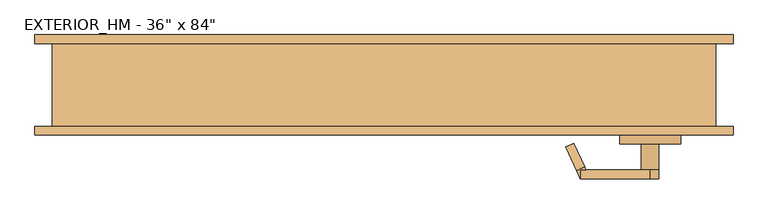
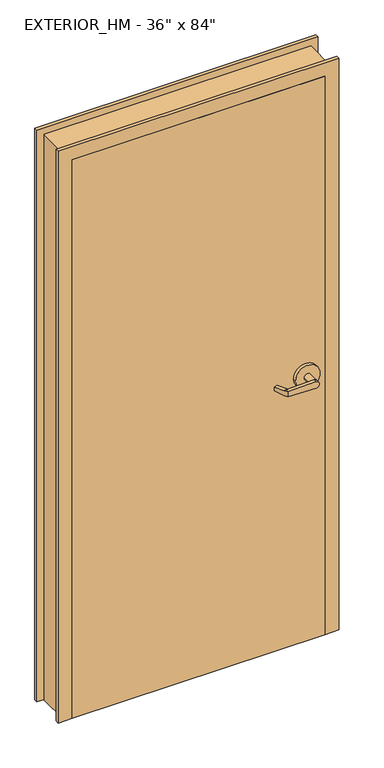
"""IFC4 building model written with IfcOpenShell, lengths in millimetres: door geometry."""

import ifcopenshell
import ifcopenshell.guid

model = None  # the IFC model being written
_history = None  # IfcOwnerHistory: only IFC2X3 demands one
_inside = {}  # id of a spatial element -> (the spatial element, [elements in it])
_under = {}  # id of a project, library or spatial element -> (it, [spatial elements below it])
_declared = {}  # id of a project -> (the project, [libraries it declares])
_typed = {}  # id of a type object -> (the type object, [elements of that type])
_made_of = {}  # id of a material, layer set ... -> (it, [elements and type objects made of it])


def new_model(schema):
    """Start an empty IFC model of exactly this schema.

    Asked for "IFC4X3", IfcOpenShell would pick the latest addendum, in which some entities
    have other attributes; the version numbers below select the first issue.
    IFC2X3 requires an IfcOwnerHistory on every rooted entity: one is made here for all.
    """
    global model, _history
    if schema == "IFC4X3":
        model = ifcopenshell.file(schema_version=(4, 3, 0, 0))
    else:
        model = ifcopenshell.file(schema=schema)
    _inside.clear()
    _under.clear()
    _declared.clear()
    _typed.clear()
    _made_of.clear()
    _history = None
    if model.schema == "IFC2X3":
        org = make("IfcOrganization", Name="unknown")
        user = make(
            "IfcPersonAndOrganization",
            ThePerson=make("IfcPerson", FamilyName="unknown"),
            TheOrganization=org,
        )
        app = make(
            "IfcApplication",
            ApplicationDeveloper=org,
            Version="unknown",
            ApplicationFullName="unknown",
            ApplicationIdentifier="unknown",
        )
        _history = make(
            "IfcOwnerHistory",
            OwningUser=user,
            OwningApplication=app,
            ChangeAction="ADDED",
            CreationDate=0,
        )
    return model


def make(cls, **values):
    """One entity of the class cls with the attributes given. An attribute that is None is left unset."""
    return model.create_entity(
        cls, **{name: value for name, value in values.items() if value is not None}
    )


def rooted(cls, **values):
    """An entity with a GlobalId (a new one), such as an element, a storey or a relation."""
    return make(cls, GlobalId=ifcopenshell.guid.new(), OwnerHistory=_history, **values)


def si_unit(unit_type, name, prefix=None):
    """IfcSIUnit, for example si_unit("LENGTHUNIT", "METRE", prefix="MILLI")."""
    return make("IfcSIUnit", UnitType=unit_type, Prefix=prefix, Name=name)


def assignment(units):
    """IfcUnitAssignment: the units of a project."""
    return None if units is None else make("IfcUnitAssignment", Units=units)


def point(xyz):
    """IfcCartesianPoint."""
    return None if xyz is None else make("IfcCartesianPoint", Coordinates=xyz)


def direction(xyz):
    """IfcDirection."""
    return None if xyz is None else make("IfcDirection", DirectionRatios=xyz)


def frame(location, z_axis=None, x_axis=None):
    """IfcAxis2Placement3D, a coordinate frame: its origin and axes. An axis left out is left unset."""
    return make(
        "IfcAxis2Placement3D",
        Location=point(location),
        Axis=direction(z_axis),
        RefDirection=direction(x_axis),
    )


def origin():
    """The frame at (0, 0, 0) with its axes left unset."""
    return frame((0.0, 0.0, 0.0))


def origin_with_axes():
    """The frame at (0, 0, 0) with the z axis (0, 0, 1) and the x axis (1, 0, 0) written out."""
    return frame((0.0, 0.0, 0.0), z_axis=(0.0, 0.0, 1.0), x_axis=(1.0, 0.0, 0.0))


def place(relative_to, where):
    """IfcLocalPlacement: puts the frame where relative to a parent placement (None: the world)."""
    return make(
        "IfcLocalPlacement", PlacementRelTo=relative_to, RelativePlacement=where
    )


def context(
    kind, dimensions, precision=None, world=None, true_north=None, identifier=None
):
    """IfcGeometricRepresentationContext, for example the 3D "Model" context."""
    return make(
        "IfcGeometricRepresentationContext",
        ContextIdentifier=identifier,
        ContextType=kind,
        CoordinateSpaceDimension=dimensions,
        Precision=precision,
        WorldCoordinateSystem=world,
        TrueNorth=true_north,
    )


def project(units=None, contexts=None):
    """IfcProject with its units and contexts."""
    return rooted(
        "IfcProject",
        Name="project",
        RepresentationContexts=contexts,
        UnitsInContext=assignment(units),
    )


def spatial(cls, under=None, at=None, **own):
    """A site, building, storey or space (cls), placed at a placement, below another one or the project."""
    s = rooted(cls, ObjectPlacement=at, **own)
    if under is not None:
        _under.setdefault(under.id(), (under, []))[1].append(s)
    return s


def polyline(points):
    """IfcPolyline through the points."""
    return make("IfcPolyline", Points=[point(p) for p in points])


def circle_curve(where, radius):
    """IfcCircle in the frame where."""
    return make("IfcCircle", Position=where, Radius=radius)


def outline(outer, holes=None, kind="AREA"):
    """IfcArbitraryClosedProfileDef: a profile drawn as a closed curve; with holes, ...WithVoids."""
    if holes is None:
        return make("IfcArbitraryClosedProfileDef", ProfileType=kind, OuterCurve=outer)
    return make(
        "IfcArbitraryProfileDefWithVoids",
        ProfileType=kind,
        OuterCurve=outer,
        InnerCurves=holes,
    )


def extrude(swept, where, along, depth):
    """IfcExtrudedAreaSolid: the profile swept, set in the frame where, extruded along a direction by depth."""
    return make(
        "IfcExtrudedAreaSolid",
        SweptArea=swept,
        Position=where,
        ExtrudedDirection=direction(along),
        Depth=depth,
    )


def faces_of(points, faces, orient=None, outer=None):
    """IfcFace entities. A face is a list of loops; a loop is a list of indices into points, from 0.

    orient and outer hold one flag for each loop. By default every Orientation is true, the
    first loop of a face is its IfcFaceOuterBound and the others are IfcFaceBound.
    """
    made = []
    for i, loops in enumerate(faces):
        bounds = []
        for j, loop in enumerate(loops):
            is_outer = j == 0 if outer is None else outer[i][j]
            bounds.append(
                make(
                    "IfcFaceOuterBound" if is_outer else "IfcFaceBound",
                    Bound=make("IfcPolyLoop", Polygon=[points[k] for k in loop]),
                    Orientation=True if orient is None else orient[i][j],
                )
            )
        made.append(make("IfcFace", Bounds=bounds))
    return made


def faceted_brep(points, faces, orient=None, outer=None, voids=None):
    """IfcFacetedBrep: a solid bounded by flat faces; with voids (closed shells), ...WithVoids."""
    shared = [point(p) for p in points]
    hull = make("IfcClosedShell", CfsFaces=faces_of(shared, faces, orient, outer))
    if voids is None:
        return make("IfcFacetedBrep", Outer=hull)
    return make(
        "IfcFacetedBrepWithVoids",
        Outer=hull,
        Voids=[
            make(cls, CfsFaces=faces_of(shared, fs, o, b)) for cls, fs, o, b in voids
        ],
    )


def shape(context_of_items, identifier, shape_type, items):
    """IfcShapeRepresentation: the items that make up one representation, for example the "Body"."""
    return make(
        "IfcShapeRepresentation",
        ContextOfItems=context_of_items,
        RepresentationIdentifier=identifier,
        RepresentationType=shape_type,
        Items=items,
    )


def source(mapping_origin, context_of_items, identifier, shape_type, items):
    """IfcRepresentationMap: a shape defined once, which mapped items show again and again."""
    return make(
        "IfcRepresentationMap",
        MappingOrigin=mapping_origin,
        MappedRepresentation=shape(context_of_items, identifier, shape_type, items),
    )


def transform(
    local_origin,
    x_axis=None,
    y_axis=None,
    z_axis=None,
    scale=None,
    scale2=None,
    scale3=None,
    uniform=True,
):
    """IfcCartesianTransformationOperator3D, or its non-uniform kind. x_axis, y_axis, z_axis: its Axis1, 2, 3."""
    if uniform:
        return make(
            "IfcCartesianTransformationOperator3D",
            Axis1=direction(x_axis),
            Axis2=direction(y_axis),
            LocalOrigin=point(local_origin),
            Scale=scale,
            Axis3=direction(z_axis),
        )
    return make(
        "IfcCartesianTransformationOperator3DnonUniform",
        Axis1=direction(x_axis),
        Axis2=direction(y_axis),
        LocalOrigin=point(local_origin),
        Scale=scale,
        Axis3=direction(z_axis),
        Scale2=scale2,
        Scale3=scale3,
    )


def mapped(mapping_source, mapping_target):
    """IfcMappedItem: shows the shape of a source again, moved by a transform."""
    return make(
        "IfcMappedItem", MappingSource=mapping_source, MappingTarget=mapping_target
    )


def made_of(thing, what):
    """Note that an element or type object is made of a material, layer set ...; save() writes the relation."""
    if what is not None:
        _made_of.setdefault(what.id(), (what, []))[1].append(thing)
    return thing


def element(
    cls,
    number,
    at=None,
    inside=None,
    cuts=None,
    type_object=None,
    material=None,
    context=None,
    identifier="Body",
    shape_type=None,
    held_by="IfcProductDefinitionShape",
    body=None,
    shapes=None,
    **own,
):
    """One element of the class cls, such as IfcWall. Its Tag is "e" and its number.

    at: its placement. inside: the storey or other place that contains it. cuts: it is an
    opening in that element (IfcRelVoidsElement). A single representation is given by context,
    identifier, shape_type and body (its items); several are given by shapes. held_by: the class
    of the entity that holds the representations. save() writes the other relations.
    """
    e = rooted(cls, Tag="e%d" % number, ObjectPlacement=at, **own)
    if body is not None:
        shapes = [shape(context, identifier, shape_type, body)]
    if shapes is not None:
        e.Representation = make(held_by, Representations=shapes)
    if inside is not None:
        _inside.setdefault(inside.id(), (inside, []))[1].append(e)
    if cuts is not None:
        rooted(
            "IfcRelVoidsElement", RelatingBuildingElement=cuts, RelatedOpeningElement=e
        )
    if type_object is not None:
        _typed.setdefault(type_object.id(), (type_object, []))[1].append(e)
    return made_of(e, material)


def aggregate(whole, parts):
    """IfcRelAggregates: a whole, such as a stair, and the parts it consists of."""
    return rooted("IfcRelAggregates", RelatingObject=whole, RelatedObjects=parts)


def save(model, path):
    """Write the relations noted so far, then the file.

    IfcRelAggregates (storeys below a building ...), IfcRelContainedInSpatialStructure (elements
    in a storey), IfcRelDefinesByType, IfcRelAssociatesMaterial and IfcRelDeclares: one each for
    every whole, place, type object, material and project.
    """
    for whole, parts in _under.values():
        aggregate(whole, parts)
    for where, things in _inside.values():
        rooted(
            "IfcRelContainedInSpatialStructure",
            RelatedElements=things,
            RelatingStructure=where,
        )
    for kind, things in _typed.values():
        rooted("IfcRelDefinesByType", RelatedObjects=things, RelatingType=kind)
    for what, things in _made_of.values():
        rooted("IfcRelAssociatesMaterial", RelatedObjects=things, RelatingMaterial=what)
    for by, libraries in _declared.values():
        rooted("IfcRelDeclares", RelatingContext=by, RelatedDefinitions=libraries)
    model.write(path)


def plane_surface(at):
    """IfcPlane: the flat surface through the origin of the frame at, square to its z axis."""
    return make("IfcPlane", Position=at)


def cylinder_surface(at, radius):
    """IfcCylindricalSurface: all points at the distance radius from the z axis of the frame at."""
    return make("IfcCylindricalSurface", Position=at, Radius=radius)


def advanced_brep(points, edges, surfaces, faces):
    """IfcAdvancedBrep: a solid bounded by faces that lie on surfaces and meet in shared edges.

    An edge is (start, end): straight between two places in points (the first is 0);
    or (start, end, curve); or (start, end, curve, False) where it runs against its curve.
    A face is (place in surfaces, loops), or (place, loops, False) where it looks against
    its surface's normal. A loop lists edges by number (the first is 1), with a minus sign
    where the edge is run from its end to its start. The first loop is the outer one.
    """
    corners = [point(p) for p in points]
    vertices = [make("IfcVertexPoint", VertexGeometry=c) for c in corners]
    made = []
    for start, end, *more in edges:
        made.append(
            make(
                "IfcEdgeCurve",
                EdgeStart=vertices[start],
                EdgeEnd=vertices[end],
                EdgeGeometry=more[0] if more else make("IfcPolyline", Points=[corners[start], corners[end]]),
                SameSense=more[1] if len(more) > 1 else True,
            )
        )
    hull = []
    for where, loops, *sense in faces:
        bounds = []
        for j, loop in enumerate(loops):
            ring = [make("IfcOrientedEdge", EdgeElement=made[abs(k) - 1], Orientation=k > 0) for k in loop]
            bounds.append(
                make(
                    "IfcFaceOuterBound" if j == 0 else "IfcFaceBound",
                    Bound=make("IfcEdgeLoop", EdgeList=ring),
                    Orientation=True,
                )
            )
        hull.append(make("IfcAdvancedFace", Bounds=bounds, FaceSurface=surfaces[where], SameSense=sense[0] if sense else True))
    return make("IfcAdvancedBrep", Outer=make("IfcClosedShell", CfsFaces=hull))


def door_1cd35453(model_context):
    return source(origin(), model_context, "Body", "SolidModel", [
        advanced_brep(
        [(291.892857, 18.0476392, 1006.475), (293.8407923, 22.225, 1006.475), (293.8407923, 22.225, 1025.525), (291.892857, 18.0476392, 1025.525), (275.7911012, -16.4826875, 1022.35), (275.7911012, -16.4826875, 1009.65), (285.75, 34.925, 1025.525), (285.75, 34.925, 1006.475), (280.3827481, 23.4148911, 1006.475), (264.2809923, -11.1154356, 1009.65), (264.2809923, -11.1154356, 1022.35), (280.3827481, 23.4148911, 1025.525), (285.75, 22.225, 1006.475), (285.75, 22.225, 1025.525), (386.9525418, 34.925, 1028.6937791), (386.9525418, 34.925, 1003.3062209), (386.9525418, 22.225, 1003.3062209), (374.65, 22.225, 1016.0), (386.9525418, 22.225, 1028.6937791), (400.05, 22.225, 1016.0), (374.65, -15.875, 1016.0), (400.05, -15.875, 1016.0), (431.8, -15.875, 1016.0), (342.9, -15.875, 1016.0), (431.8, -28.575, 1016.0), (342.9, -28.575, 1016.0)],
        [
            (0, 1),
            (1, 2),
            (2, 3),
            (3, 4),
            (4, 5),
            (5, 0),
            (6, 7),
            (7, 8),
            (8, 9),
            (9, 10),
            (10, 11),
            (11, 6),
            (7, 12),
            (12, 1),
            (0, 8),
            (5, 9),
            (4, 10),
            (3, 11),
            (2, 13),
            (13, 6),
            (6, 14),
            (14, 15, circle_curve(frame((387.35, 34.925, 1016.0), z_axis=(0.0, 1.0, 0.0), x_axis=(-1.0, 0.0, 0.0)), 12.7)),
            (15, 7),
            (12, 16),
            (16, 17, circle_curve(frame((387.35, 22.225, 1016.0), z_axis=(0.0, 1.0, 0.0), x_axis=(-1.0, 0.0, 0.0)), 12.7)),
            (17, 18, circle_curve(frame((387.35, 22.225, 1016.0), z_axis=(0.0, 1.0, 0.0), x_axis=(-1.0, 0.0, 0.0)), 12.7)),
            (18, 13),
            (15, 16),
            (14, 18),
            (18, 19, circle_curve(frame((387.35, 22.225, 1016.0), z_axis=(0.0, 1.0, 0.0), x_axis=(-1.0, 0.0, 0.0)), 12.7)),
            (19, 16, circle_curve(frame((387.35, 22.225, 1016.0), z_axis=(0.0, 1.0, 0.0), x_axis=(-1.0, 0.0, 0.0)), 12.7)),
            (17, 20),
            (20, 21, circle_curve(frame((387.35, -15.875, 1016.0), z_axis=(0.0, 1.0, 0.0), x_axis=(-1.0, 0.0, 0.0)), 12.7)),
            (21, 19),
            (21, 20, circle_curve(frame((387.35, -15.875, 1016.0), z_axis=(0.0, 1.0, 0.0), x_axis=(-1.0, 0.0, 0.0)), 12.7)),
            (22, 23, circle_curve(frame((387.35, -15.875, 1016.0), z_axis=(0.0, 1.0, 0.0), x_axis=(-1.0, 0.0, 0.0)), 44.45)),
            (23, 22, circle_curve(frame((387.35, -15.875, 1016.0), z_axis=(0.0, 1.0, 0.0), x_axis=(-1.0, 0.0, 0.0)), 44.45)),
            (24, 25, circle_curve(frame((387.35, -28.575, 1016.0), z_axis=(0.0, -1.0, 0.0), x_axis=(-1.0, 0.0, 0.0)), 44.45)),
            (25, 24, circle_curve(frame((387.35, -28.575, 1016.0), z_axis=(0.0, -1.0, 0.0), x_axis=(-1.0, 0.0, 0.0)), 44.45)),
            (23, 25),
            (24, 22),
        ],
        [
            plane_surface(frame((297.2601089, 29.5577481, 1006.475), z_axis=(0.9063077870366494, -0.4226182617407007, 0.0), x_axis=(0.0, 0.0, -1.0))),
            plane_surface(frame((285.75, 34.925, 1006.475), z_axis=(-0.9063077870366494, 0.4226182617407007, 0.0), x_axis=(0.0, 0.0, 1.0))),
            plane_surface(frame((297.2601089, 29.5577481, 1006.475), z_axis=(0.0, 0.0, -1.0000000000000002), x_axis=(-0.9063077870366494, 0.42261826174070094, 0.0))),
            plane_surface(frame((291.892857, 18.0476392, 1006.475), z_axis=(-0.035096536341209586, -0.07526476506963879, -0.9965457582448799), x_axis=(-0.9063077870366494, 0.42261826174070094, 0.0))),
            plane_surface(frame((275.7911012, -16.4826875, 1009.65), z_axis=(-0.42261826174070094, -0.9063077870366494, 0.0), x_axis=(-0.9063077870366494, 0.42261826174070094, 0.0))),
            plane_surface(frame((275.7911012, -16.4826875, 1022.35), z_axis=(-0.03509653634121044, -0.07526476506964089, 0.9965457582448796), x_axis=(-0.9063077870366495, 0.42261826174070033, 0.0))),
            plane_surface(frame((291.892857, 18.0476392, 1025.525), z_axis=(0.0, 0.0, 1.0000000000000002), x_axis=(-0.9063077870366494, 0.42261826174070094, 0.0))),
            plane_surface(frame((285.75, 34.925, 1006.475), z_axis=(0.0, 1.0, 0.0), x_axis=(0.9995101626549141, 0.0, -0.03129592225110647))),
            plane_surface(frame((285.75, 22.225, 1006.475), z_axis=(0.0, -1.0, 0.0), x_axis=(-0.9995101626549141, 0.0, 0.03129592225110647))),
            plane_surface(frame((285.75, 34.925, 1006.475), z_axis=(-0.03129592225110647, 0.0, -0.9995101626549141), x_axis=(0.0, -1.0, 0.0))),
            cylinder_surface(frame((387.35, 22.225, 1016.0), z_axis=(0.0, 1.0, 0.0), x_axis=(-1.0, 0.0, 0.0)), 12.7),
            plane_surface(frame((386.9525418, 34.925, 1028.6937791), z_axis=(-0.03129592225110282, 0.0, 0.9995101626549142), x_axis=(0.0, -1.0, 0.0))),
            cylinder_surface(frame((387.35, -15.875, 1016.0), z_axis=(0.0, 1.0, 0.0), x_axis=(-1.0, 0.0, 0.0)), 12.7),
            plane_surface(frame((342.9, -15.875, 1016.0), z_axis=(0.0, 1.0, 0.0), x_axis=(0.0, 0.0, -1.0))),
            plane_surface(frame((342.9, -28.575, 1016.0), z_axis=(0.0, -1.0, 0.0), x_axis=(0.0, 0.0, 1.0))),
            cylinder_surface(frame((387.35, -28.575, 1016.0), z_axis=(0.0, 1.0, 0.0), x_axis=(-1.0, 0.0, 0.0)), 44.45),
        ],
        [
            (0, [[1, 2, 3, 4, 5, 6]]),
            (1, [[7, 8, 9, 10, 11, 12]]),
            (2, [[13, 14, -1, 15, -8]]),
            (3, [[16, -9, -15, -6]]),
            (4, [[17, -10, -16, -5]]),
            (5, [[18, -11, -17, -4]]),
            (6, [[-18, -3, 19, 20, -12]]),
            (7, [[-7, 21, 22, 23]]),
            (8, [[-19, -2, -14, 24, 25, 26, 27]]),
            (9, [[28, -24, -13, -23]]),
            (10, [[29, 30, 31, -28, -22]]),
            (11, [[-20, -27, -29, -21]]),
            (12, [[-30, -26, 32, 33, 34]]),
            (12, [[35, -32, -25, -31, -34]]),
            (13, [[36, 37], [-35, -33]]),
            (14, [[38, 39]]),
            (15, [[40, -38, 41, -37]]),
            (15, [[-41, -39, -40, -36]]),
        ],
    ),
        advanced_brep(
        [(291.892857, -119.6476392, 1025.525), (293.8407923, -123.825, 1025.525), (293.8407923, -123.825, 1006.475), (291.892857, -119.6476392, 1006.475), (275.7911012, -85.1173125, 1009.65), (275.7911012, -85.1173125, 1022.35), (285.75, -136.525, 1006.475), (285.75, -136.525, 1025.525), (280.3827481, -125.0148911, 1025.525), (264.2809923, -90.4845644, 1022.35), (264.2809923, -90.4845644, 1009.65), (280.3827481, -125.0148911, 1006.475), (285.75, -123.825, 1025.525), (285.75, -123.825, 1006.475), (386.9525418, -136.525, 1003.3062209), (386.9525418, -136.525, 1028.6937791), (386.9525418, -123.825, 1028.6937791), (374.65, -123.825, 1016.0), (386.9525418, -123.825, 1003.3062209), (400.05, -123.825, 1016.0), (374.65, -85.725, 1016.0), (400.05, -85.725, 1016.0), (431.8, -85.725, 1016.0), (342.9, -85.725, 1016.0), (431.8, -73.025, 1016.0), (342.9, -73.025, 1016.0)],
        [
            (0, 1),
            (1, 2),
            (2, 3),
            (3, 4),
            (4, 5),
            (5, 0),
            (6, 7),
            (7, 8),
            (8, 9),
            (9, 10),
            (10, 11),
            (11, 6),
            (7, 12),
            (12, 1),
            (0, 8),
            (5, 9),
            (4, 10),
            (3, 11),
            (2, 13),
            (13, 6),
            (6, 14),
            (14, 15, circle_curve(frame((387.35, -136.525, 1016.0), z_axis=(0.0, -1.0, 0.0), x_axis=(-1.0, 0.0, 0.0)), 12.7)),
            (15, 7),
            (12, 16),
            (16, 17, circle_curve(frame((387.35, -123.825, 1016.0), z_axis=(0.0, -1.0, 0.0), x_axis=(-1.0, 0.0, 0.0)), 12.7)),
            (17, 18, circle_curve(frame((387.35, -123.825, 1016.0), z_axis=(0.0, -1.0, 0.0), x_axis=(-1.0, 0.0, 0.0)), 12.7)),
            (18, 13),
            (15, 16),
            (14, 18),
            (18, 19, circle_curve(frame((387.35, -123.825, 1016.0), z_axis=(0.0, -1.0, 0.0), x_axis=(-1.0, 0.0, 0.0)), 12.7)),
            (19, 16, circle_curve(frame((387.35, -123.825, 1016.0), z_axis=(0.0, -1.0, 0.0), x_axis=(-1.0, 0.0, 0.0)), 12.7)),
            (17, 20),
            (20, 21, circle_curve(frame((387.35, -85.725, 1016.0), z_axis=(0.0, -1.0, 0.0), x_axis=(-1.0, 0.0, 0.0)), 12.7)),
            (21, 19),
            (21, 20, circle_curve(frame((387.35, -85.725, 1016.0), z_axis=(0.0, -1.0, 0.0), x_axis=(-1.0, 0.0, 0.0)), 12.7)),
            (22, 23, circle_curve(frame((387.35, -85.725, 1016.0), z_axis=(0.0, -1.0, 0.0), x_axis=(-1.0, 0.0, 0.0)), 44.45)),
            (23, 22, circle_curve(frame((387.35, -85.725, 1016.0), z_axis=(0.0, -1.0, 0.0), x_axis=(-1.0, 0.0, 0.0)), 44.45)),
            (24, 25, circle_curve(frame((387.35, -73.025, 1016.0), z_axis=(0.0, 1.0, 0.0), x_axis=(-1.0, 0.0, 0.0)), 44.45)),
            (25, 24, circle_curve(frame((387.35, -73.025, 1016.0), z_axis=(0.0, 1.0, 0.0), x_axis=(-1.0, 0.0, 0.0)), 44.45)),
            (23, 25),
            (24, 22),
        ],
        [
            plane_surface(frame((297.2601089, -131.1577481, 1025.525), z_axis=(0.9063077870366494, 0.4226182617407007, 0.0), x_axis=(0.0, 0.0, 1.0))),
            plane_surface(frame((285.75, -136.525, 1025.525), z_axis=(-0.9063077870366494, -0.4226182617407007, 0.0), x_axis=(0.0, 0.0, -1.0))),
            plane_surface(frame((297.2601089, -131.1577481, 1025.525), z_axis=(0.0, 0.0, 1.0000000000000002), x_axis=(-0.9063077870366494, -0.42261826174070094, 0.0))),
            plane_surface(frame((291.892857, -119.6476392, 1025.525), z_axis=(-0.03509653634120952, 0.07526476506963879, 0.9965457582448799), x_axis=(-0.9063077870366494, -0.42261826174070094, 0.0))),
            plane_surface(frame((275.7911012, -85.1173125, 1022.35), z_axis=(-0.42261826174070094, 0.9063077870366494, 0.0), x_axis=(-0.9063077870366494, -0.42261826174070094, 0.0))),
            plane_surface(frame((275.7911012, -85.1173125, 1009.65), z_axis=(-0.03509653634121051, 0.07526476506964089, -0.9965457582448796), x_axis=(-0.9063077870366495, -0.42261826174070033, 0.0))),
            plane_surface(frame((291.892857, -119.6476392, 1006.475), z_axis=(0.0, 0.0, -1.0000000000000002), x_axis=(-0.9063077870366494, -0.42261826174070094, 0.0))),
            plane_surface(frame((285.75, -136.525, 1025.525), z_axis=(0.0, -1.0, 0.0), x_axis=(0.9995101626549141, 0.0, 0.0312959222511064))),
            plane_surface(frame((285.75, -123.825, 1025.525), z_axis=(0.0, 1.0, 0.0), x_axis=(-0.9995101626549141, 0.0, -0.0312959222511064))),
            plane_surface(frame((285.75, -136.525, 1025.525), z_axis=(-0.0312959222511064, 0.0, 0.9995101626549141), x_axis=(0.0, 1.0, 0.0))),
            cylinder_surface(frame((387.35, -123.825, 1016.0), z_axis=(0.0, -1.0, 0.0), x_axis=(-1.0, 0.0, 0.0)), 12.7),
            plane_surface(frame((386.9525418, -136.525, 1003.3062209), z_axis=(-0.03129592225110289, 0.0, -0.9995101626549142), x_axis=(0.0, 1.0, 0.0))),
            cylinder_surface(frame((387.35, -85.725, 1016.0), z_axis=(0.0, -1.0, 0.0), x_axis=(-1.0, 0.0, 0.0)), 12.7),
            plane_surface(frame((342.9, -85.725, 1016.0), z_axis=(0.0, -1.0, 0.0), x_axis=(0.0, 0.0, 1.0))),
            plane_surface(frame((342.9, -73.025, 1016.0), z_axis=(0.0, 1.0, 0.0), x_axis=(0.0, 0.0, -1.0))),
            cylinder_surface(frame((387.35, -73.025, 1016.0), z_axis=(0.0, -1.0, 0.0), x_axis=(-1.0, 0.0, 0.0)), 44.45),
        ],
        [
            (0, [[1, 2, 3, 4, 5, 6]]),
            (1, [[7, 8, 9, 10, 11, 12]]),
            (2, [[13, 14, -1, 15, -8]]),
            (3, [[16, -9, -15, -6]]),
            (4, [[17, -10, -16, -5]]),
            (5, [[18, -11, -17, -4]]),
            (6, [[-18, -3, 19, 20, -12]]),
            (7, [[-7, 21, 22, 23]]),
            (8, [[-19, -2, -14, 24, 25, 26, 27]]),
            (9, [[28, -24, -13, -23]]),
            (10, [[29, 30, 31, -28, -22]]),
            (11, [[-20, -27, -29, -21]]),
            (12, [[-30, -26, 32, 33, 34]]),
            (12, [[35, -32, -25, -31, -34]]),
            (13, [[36, 37], [-35, -33]]),
            (14, [[38, 39]]),
            (15, [[40, -38, 41, -37]]),
            (15, [[-41, -39, -40, -36]]),
        ],
    ),
        extrude(outline(polyline([(-457.2, -73.025), (-457.2, -28.575), (457.2, -28.575), (457.2, -73.025), (-457.2, -73.025)])), origin_with_axes(), (0.0, 0.0, 1.0), 2133.6),
        faceted_brep([(-457.2, -73.025, 0.0), (-508.0, -73.025, 0.0), (-508.0, -60.325, 0.0), (-482.6, -60.325, 0.0), (-482.6, 60.325, 0.0), (-508.0, 60.325, 0.0), (-508.0, 73.025, 0.0), (-457.2, 73.025, 0.0), (-457.2, 25.2662566, 0.0), (-441.325, 25.2662566, 0.0), (-441.325, -25.2662566, 0.0), (-457.2, -25.2662566, 0.0), (-457.2, -25.2662566, 2133.6), (-457.2, -73.025, 2133.6), (-441.325, -25.2662566, 2117.725), (441.325, -25.2662566, 2117.725), (441.325, -25.2662566, 0.0), (457.2, -25.2662566, 0.0), (457.2, -25.2662566, 2133.6), (-441.325, 25.2662566, 2117.725), (-457.2, 25.2662566, 2133.6), (457.2, 25.2662566, 2133.6), (457.2, 25.2662566, 0.0), (441.325, 25.2662566, 0.0), (441.325, 25.2662566, 2117.725), (-457.2, 73.025, 2133.6), (-508.0, 73.025, 2184.4), (508.0, 73.025, 2184.4), (508.0, 73.025, 0.0), (457.2, 73.025, 0.0), (457.2, 73.025, 2133.6), (-508.0, 60.325, 2184.4), (-482.6, 60.325, 2159.0), (482.6, 60.325, 2159.0), (482.6, 60.325, 0.0), (508.0, 60.325, 0.0), (508.0, 60.325, 2184.4), (-482.6, -60.325, 2159.0), (-508.0, -60.325, 2184.4), (508.0, -60.325, 2184.4), (508.0, -60.325, 0.0), (482.6, -60.325, 0.0), (482.6, -60.325, 2159.0), (-508.0, -73.025, 2184.4), (457.2, -73.025, 2133.6), (457.2, -73.025, 0.0), (508.0, -73.025, 0.0), (508.0, -73.025, 2184.4)], [[[0, 1, 2, 3, 4, 5, 6, 7, 8, 9, 10, 11]], [[11, 12, 13, 0]], [[10, 14, 15, 16, 17, 18, 12, 11]], [[9, 19, 14, 10]], [[8, 20, 21, 22, 23, 24, 19, 9]], [[7, 25, 20, 8]], [[6, 26, 27, 28, 29, 30, 25, 7]], [[5, 31, 26, 6]], [[4, 32, 33, 34, 35, 36, 31, 5]], [[3, 37, 32, 4]], [[2, 38, 39, 40, 41, 42, 37, 3]], [[1, 43, 38, 2]], [[0, 13, 44, 45, 46, 47, 43, 1]], [[18, 17, 45, 44]], [[45, 17, 16, 23, 22, 29, 28, 35, 34, 41, 40, 46]], [[24, 23, 16, 15]], [[30, 29, 22, 21]], [[36, 35, 28, 27]], [[42, 41, 34, 33]], [[47, 46, 40, 39]], [[12, 18, 44, 13]], [[19, 24, 15, 14]], [[25, 30, 21, 20]], [[31, 36, 27, 26]], [[37, 42, 33, 32]], [[43, 47, 39, 38]]]),
    ])


if __name__ == "__main__":
    model = new_model("IFC4")
    model_context = context("Model", 3, world=origin())
    ifc_project = project(units=[si_unit("LENGTHUNIT", "METRE", prefix="MILLI")], contexts=[model_context])
    site = spatial("IfcSite", under=ifc_project)
    building = spatial("IfcBuilding", under=site)
    placement = place(None, origin())
    door_shape = door_1cd35453(model_context)
    element("IfcDoor", 1, ObjectType="EXTERIOR_HM - 36\" x 84\"", at=placement, inside=building, context=model_context, shape_type="MappedRepresentation", body=[
        mapped(door_shape, transform((0.0, 0.0, 0.0), x_axis=(1.0, 0.0, 0.0), y_axis=(0.0, 1.0, 0.0), z_axis=(0.0, 0.0, 1.0))),
    ])
    save(model, "model.ifc")
